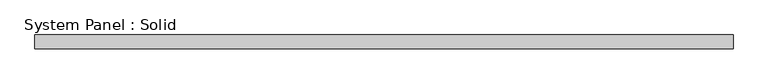
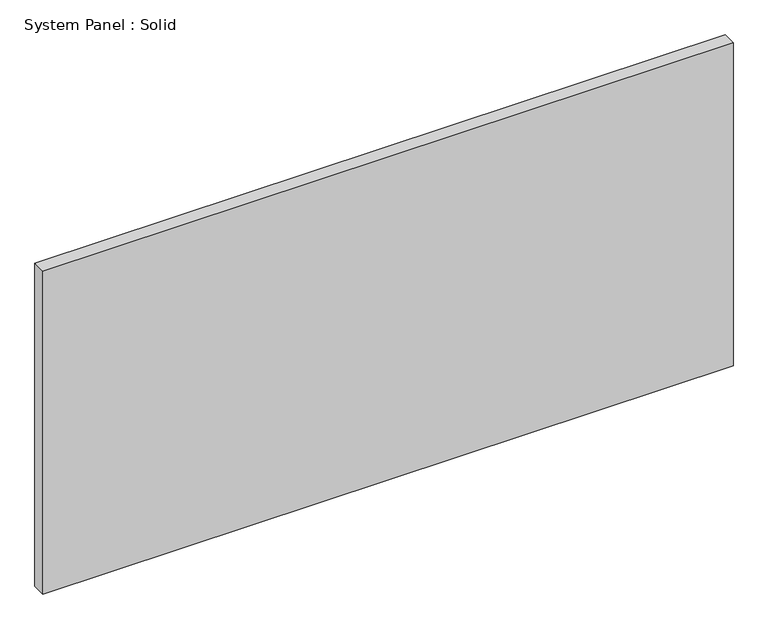
"""IFC4 building model written with IfcOpenShell, lengths in millimetres: plate geometry, System Panel : Solid."""

from ifc_helpers import new_model, si_unit, origin, origin_with_axes, place, context, project, spatial, polyline, outline, extrude, source, transform, mapped, element, save


def system_panel_solid_1bfa6ec1(model_context):
    return source(origin(), model_context, "Body", "SweptSolid", [
        extrude(outline(polyline([(1500.0000002, -10.5), (-1500.0000002, -10.5), (-1500.0000002, 49.5), (1500.0000002, 49.5), (1500.0000002, -10.5)])), origin_with_axes(), (0.0, 0.0, 1.0), 1482.7715864),
    ])


if __name__ == "__main__":
    model = new_model("IFC4")
    model_context = context("Model", 3, world=origin())
    ifc_project = project(units=[si_unit("LENGTHUNIT", "METRE", prefix="MILLI")], contexts=[model_context])
    site = spatial("IfcSite", under=ifc_project)
    building = spatial("IfcBuilding", under=site)
    placement = place(None, origin())
    system_panel_solid_shape = system_panel_solid_1bfa6ec1(model_context)
    element("IfcPlate", 1, ObjectType="System Panel : Solid", at=placement, inside=building, context=model_context, shape_type="MappedRepresentation", body=[
        mapped(system_panel_solid_shape, transform((0.0, 0.0, 0.0), x_axis=(1.0, 0.0, 0.0), y_axis=(0.0, 1.0, 0.0), z_axis=(0.0, 0.0, 1.0))),
    ])
    save(model, "model.ifc")
